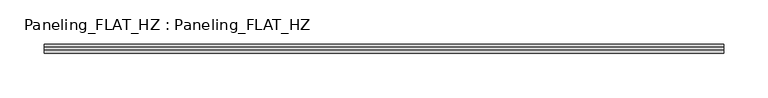
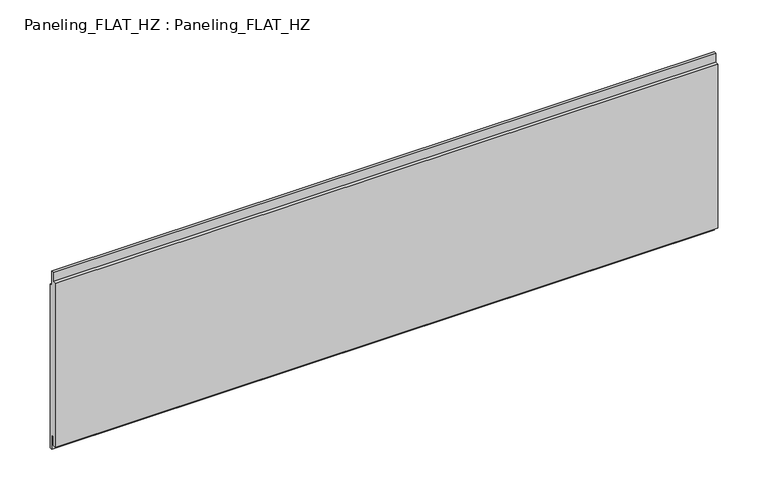
"""IFC4 building model written with IfcOpenShell, lengths in millimetres: plate geometry, Paneling_FLAT_HZ : Paneling_FLAT_HZ."""

from ifc_helpers import new_model, si_unit, frame, origin, place, context, project, spatial, polyline, outline, extrude, source, transform, mapped, element, save


def paneling_flat_hz_paneling_flat_hz_e4c6b78a(model_context):
    return source(origin(), model_context, "Body", "SweptSolid", [
        extrude(outline(polyline([(-1.0, 211.0), (2.0, 211.0), (2.0, 193.0), (5.0, 193.0), (5.0, -7.0), (2.0, -7.0), (2.0, 11.0), (-1.0, 11.0), (-1.0, 0.0), (-5.0, 0.0), (-5.0, 200.0), (-1.0, 200.0), (-1.0, 211.0)])), frame((-382.25, 0.0, 0.0), z_axis=(1.0, 0.0, 0.0), x_axis=(0.0, 1.0, 0.0)), (0.0, 0.0, 1.0), 764.5),
    ])


if __name__ == "__main__":
    model = new_model("IFC4")
    model_context = context("Model", 3, world=origin())
    ifc_project = project(units=[si_unit("LENGTHUNIT", "METRE", prefix="MILLI")], contexts=[model_context])
    site = spatial("IfcSite", under=ifc_project)
    building = spatial("IfcBuilding", under=site)
    placement = place(None, origin())
    paneling_flat_hz_paneling_flat_hz_shape = paneling_flat_hz_paneling_flat_hz_e4c6b78a(model_context)
    element("IfcPlate", 1, ObjectType="Paneling_FLAT_HZ : Paneling_FLAT_HZ", at=placement, inside=building, context=model_context, shape_type="MappedRepresentation", body=[
        mapped(paneling_flat_hz_paneling_flat_hz_shape, transform((0.0, 0.0, 0.0), x_axis=(1.0, 0.0, 0.0), y_axis=(0.0, 1.0, 0.0), z_axis=(0.0, 0.0, 1.0))),
    ])
    save(model, "model.ifc")
